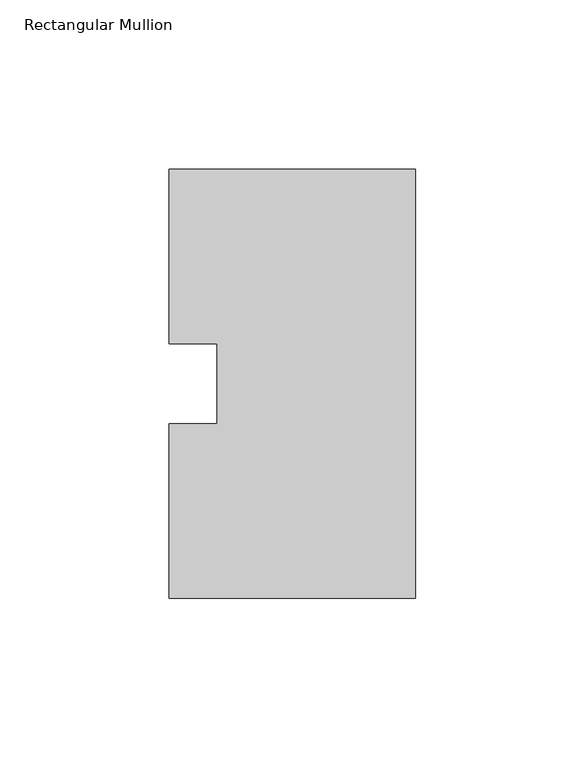
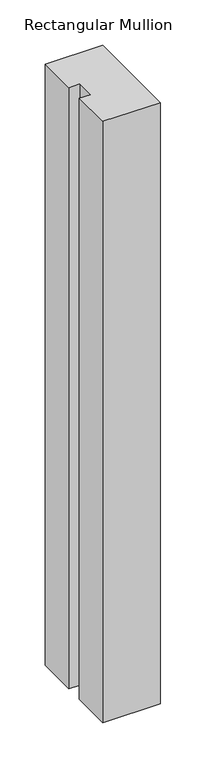
"""IFC4 building model written with IfcOpenShell, lengths in millimetres: member geometry, Rectangular Mullion."""

from ifc_helpers import new_model, si_unit, frame, origin, place, context, project, spatial, polyline, outline, extrude, source, transform, mapped, element, save


def rectangular_mullion_be80b9e3(model_context):
    return source(origin(), model_context, "Body", "SweptSolid", [
        extrude(outline(polyline([(0.0, 127.00635), (0.0, 0.00635), (-73.025, 0.00635), (-73.025, 51.60645), (-58.7375, 51.60645), (-58.7375, 75.40625), (-73.025, 75.40625), (-73.025, 127.00635), (0.0, 127.00635)])), frame((0.0, 0.0, -809.6247287), z_axis=(0.0, 0.0, 1.0), x_axis=(1.0, 0.0, 0.0)), (0.0, 0.0, 1.0), 809.6247287),
    ])


if __name__ == "__main__":
    model = new_model("IFC4")
    model_context = context("Model", 3, world=origin())
    ifc_project = project(units=[si_unit("LENGTHUNIT", "METRE", prefix="MILLI")], contexts=[model_context])
    site = spatial("IfcSite", under=ifc_project)
    building = spatial("IfcBuilding", under=site)
    placement = place(None, origin())
    rectangular_mullion_shape = rectangular_mullion_be80b9e3(model_context)
    element("IfcMember", 1, ObjectType="Rectangular Mullion", at=placement, inside=building, context=model_context, shape_type="MappedRepresentation", body=[
        mapped(rectangular_mullion_shape, transform((0.0, 0.0, 0.0), x_axis=(1.0, 0.0, 0.0), y_axis=(0.0, 1.0, 0.0), z_axis=(0.0, 0.0, 1.0))),
    ])
    save(model, "model.ifc")
